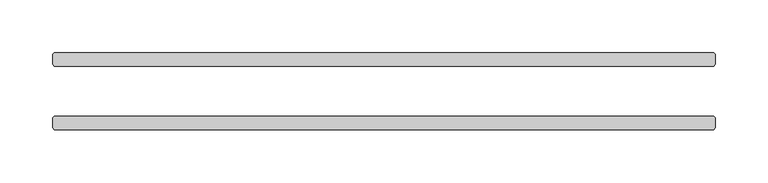
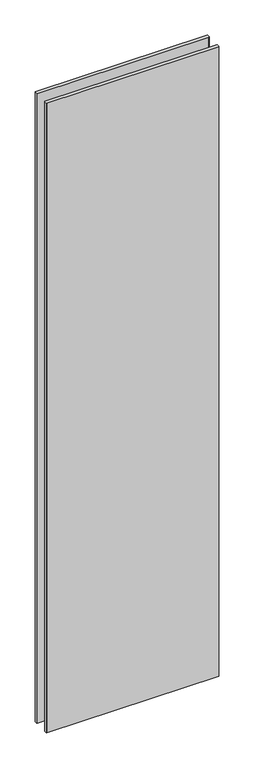
"""IFC4 building model written with IfcOpenShell, lengths in millimetres: plate geometry."""

from ifc_helpers import new_model, si_unit, origin, origin_with_axes, place, context, project, spatial, polyline, outline, extrude, source, transform, mapped, element, save


def plate_ce6ba75f(model_context):
    return source(origin(), model_context, "Body", "SweptSolid", [
        extrude(outline(polyline([(313.134375, -23.8125), (314.721875, -25.4), (314.721875, -34.925), (313.134375, -36.5125), (-313.134375, -36.5125), (-314.721875, -34.925), (-314.721875, -25.4), (-313.134375, -23.8125), (313.134375, -23.8125)])), origin_with_axes(), (0.0, 0.0, 1.0), 2428.7789267),
        extrude(outline(polyline([(313.134375, 36.5125), (314.721875, 34.925), (314.721875, 25.4), (313.134375, 23.8125), (-313.134375, 23.8125), (-314.721875, 25.4), (-314.721875, 34.925), (-313.134375, 36.5125), (313.134375, 36.5125)])), origin_with_axes(), (0.0, 0.0, 1.0), 2428.7789267),
    ])


if __name__ == "__main__":
    model = new_model("IFC4")
    model_context = context("Model", 3, world=origin())
    ifc_project = project(units=[si_unit("LENGTHUNIT", "METRE", prefix="MILLI")], contexts=[model_context])
    site = spatial("IfcSite", under=ifc_project)
    building = spatial("IfcBuilding", under=site)
    placement = place(None, origin())
    plate_shape = plate_ce6ba75f(model_context)
    element("IfcPlate", 1, at=placement, inside=building, context=model_context, shape_type="MappedRepresentation", body=[
        mapped(plate_shape, transform((0.0, 0.0, 0.0), x_axis=(1.0, 0.0, 0.0), y_axis=(0.0, 1.0, 0.0), z_axis=(0.0, 0.0, 1.0))),
    ])
    save(model, "model.ifc")
